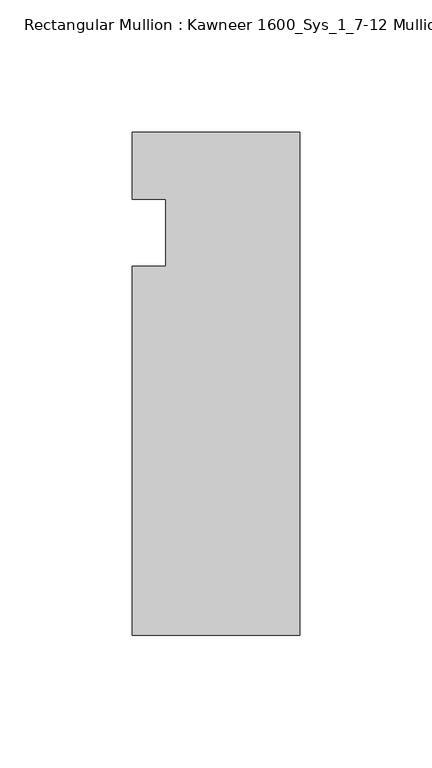
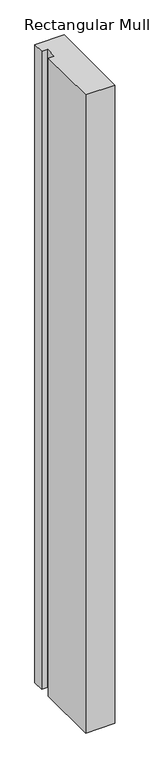
"""IFC4 building model written with IfcOpenShell, lengths in millimetres: member geometry, Rectangular Mullion : Kawneer 1600_Sys_1_7-12 Mullion_Jamb L."""

from ifc_helpers import new_model, si_unit, frame, origin, place, context, project, spatial, polyline, outline, extrude, source, transform, mapped, element, save


def rectangular_mullion_kawneer_1600_sys_1_7_12_mullion_jamb_l_ce882c5d(model_context):
    return source(origin(), model_context, "Body", "SweptSolid", [
        extrude(outline(polyline([(-63.5, -152.4), (-63.5, -12.7), (-50.7982296, -12.7), (-50.7982296, 12.7), (-63.5, 12.7), (-63.5, 38.1), (0.0, 38.1), (0.0, -152.4), (-63.5, -152.4)])), frame((0.0, 0.0, -1463.04), z_axis=(0.0, 0.0, 1.0), x_axis=(1.0, 0.0, 0.0)), (0.0, 0.0, 1.0), 1463.04),
    ])


if __name__ == "__main__":
    model = new_model("IFC4")
    model_context = context("Model", 3, world=origin())
    ifc_project = project(units=[si_unit("LENGTHUNIT", "METRE", prefix="MILLI")], contexts=[model_context])
    site = spatial("IfcSite", under=ifc_project)
    building = spatial("IfcBuilding", under=site)
    placement = place(None, origin())
    rectangular_mullion_kawneer_1600_sys_1_7_12_mullion_jamb_l_shape = rectangular_mullion_kawneer_1600_sys_1_7_12_mullion_jamb_l_ce882c5d(model_context)
    element("IfcMember", 1, ObjectType="Rectangular Mullion : Kawneer 1600_Sys_1_7-12 Mullion_Jamb L", at=placement, inside=building, context=model_context, shape_type="MappedRepresentation", body=[
        mapped(rectangular_mullion_kawneer_1600_sys_1_7_12_mullion_jamb_l_shape, transform((0.0, 0.0, 0.0), x_axis=(1.0, 0.0, 0.0), y_axis=(0.0, 1.0, 0.0), z_axis=(0.0, 0.0, 1.0))),
    ])
    save(model, "model.ifc")
